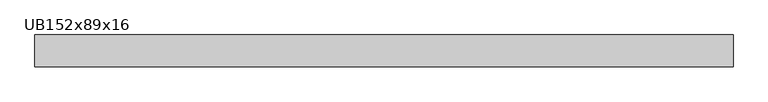
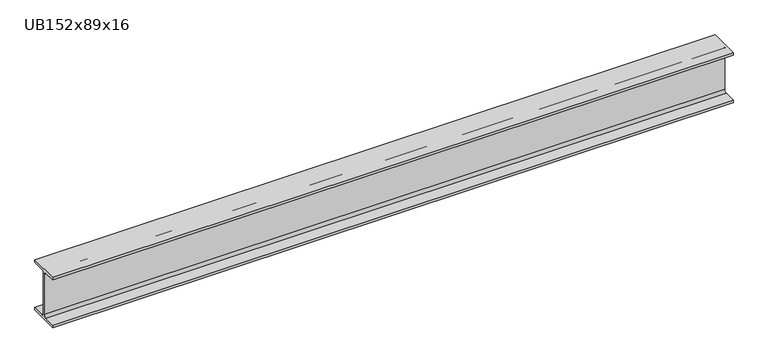
"""IFC4 building model written with IfcOpenShell, lengths in millimetres: beam geometry, UB152x89x16."""

from ifc_helpers import new_model, si_unit, point, frame, frame_2d, origin, place, context, project, spatial, polyline, circle_curve, trimmed, segment, composite_curve, outline, extrude, source, transform, mapped, element, save


def ub152x89x16_db3fa42c(model_context):
    return source(origin(), model_context, "Body", "SweptSolid", [
        extrude(outline(composite_curve([segment(polyline([(44.35, -68.5), (44.35, -76.2), (-44.35, -76.2), (-44.35, -68.5), (-9.85, -68.5)]), True, "CONTINUOUS"), segment(trimmed(circle_curve(frame_2d((-9.85, -60.9)), 7.6), [point((-9.85, -68.5))], [point((-2.25, -60.9))], True, "CARTESIAN"), True, "CONTINUOUS"), segment(polyline([(-2.25, -60.9), (-2.25, 60.9)]), True, "CONTINUOUS"), segment(trimmed(circle_curve(frame_2d((-9.85, 60.9)), 7.6), [point((-2.25, 60.9))], [point((-9.85, 68.5))], True, "CARTESIAN"), True, "CONTINUOUS"), segment(polyline([(-9.85, 68.5), (-44.35, 68.5), (-44.35, 76.2), (44.35, 76.2), (44.35, 68.5), (9.85, 68.5)]), True, "CONTINUOUS"), segment(trimmed(circle_curve(frame_2d((9.85, 60.9)), 7.6), [point((9.85, 68.5))], [point((2.25, 60.9))], True, "CARTESIAN"), True, "CONTINUOUS"), segment(polyline([(2.25, 60.9), (2.25, -60.9)]), True, "CONTINUOUS"), segment(trimmed(circle_curve(frame_2d((9.85, -60.9)), 7.6), [point((2.25, -60.9))], [point((9.85, -68.5))], True, "CARTESIAN"), True, "CONTINUOUS"), segment(polyline([(9.85, -68.5), (44.35, -68.5)]), True, "CONTINUOUS")], self_intersect=False)), frame((-976.75, 0.0, 0.0), z_axis=(1.0, 0.0, 0.0), x_axis=(0.0, 1.0, 0.0)), (0.0, 0.0, 1.0), 1953.5),
    ])


if __name__ == "__main__":
    model = new_model("IFC4")
    model_context = context("Model", 3, world=origin())
    ifc_project = project(units=[si_unit("LENGTHUNIT", "METRE", prefix="MILLI")], contexts=[model_context])
    site = spatial("IfcSite", under=ifc_project)
    building = spatial("IfcBuilding", under=site)
    placement = place(None, origin())
    ub152x89x16_shape = ub152x89x16_db3fa42c(model_context)
    element("IfcBeam", 1, ObjectType="UB152x89x16", at=placement, inside=building, context=model_context, shape_type="MappedRepresentation", body=[
        mapped(ub152x89x16_shape, transform((0.0, 0.0, 0.0), x_axis=(1.0, 0.0, 0.0), y_axis=(0.0, 1.0, 0.0), z_axis=(0.0, 0.0, 1.0))),
    ])
    save(model, "model.ifc")
